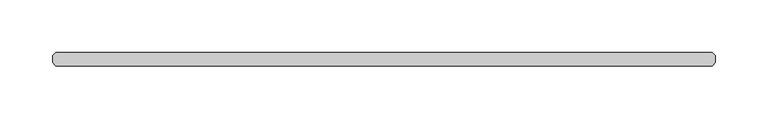
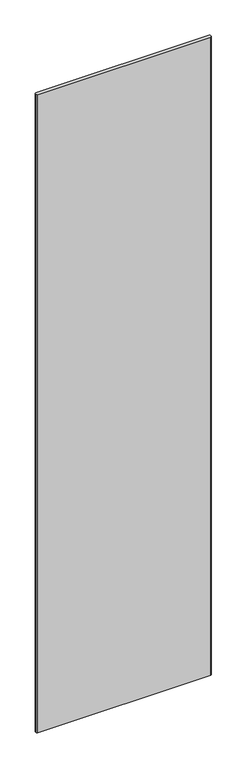
"""IFC4 building model written with IfcOpenShell, lengths in millimetres: plate geometry."""

from ifc_helpers import new_model, si_unit, origin, origin_with_axes, place, context, project, spatial, polyline, outline, extrude, source, transform, mapped, element, save


def plate_3b449517(model_context):
    return source(origin(), model_context, "Body", "SweptSolid", [
        extrude(outline(polyline([(311.546875, -36.5125), (-311.546875, -36.5125), (-314.721875, -33.3375), (-314.721875, -26.9875), (-311.546875, -23.8125), (311.546875, -23.8125), (314.721875, -26.9875), (314.721875, -33.3375), (311.546875, -36.5125)])), origin_with_axes(), (0.0, 0.0, 1.0), 2428.7789267),
    ])


if __name__ == "__main__":
    model = new_model("IFC4")
    model_context = context("Model", 3, world=origin())
    ifc_project = project(units=[si_unit("LENGTHUNIT", "METRE", prefix="MILLI")], contexts=[model_context])
    site = spatial("IfcSite", under=ifc_project)
    building = spatial("IfcBuilding", under=site)
    placement = place(None, origin())
    plate_shape = plate_3b449517(model_context)
    element("IfcPlate", 1, at=placement, inside=building, context=model_context, shape_type="MappedRepresentation", body=[
        mapped(plate_shape, transform((0.0, 0.0, 0.0), x_axis=(1.0, 0.0, 0.0), y_axis=(0.0, 1.0, 0.0), z_axis=(0.0, 0.0, 1.0))),
    ])
    save(model, "model.ifc")
